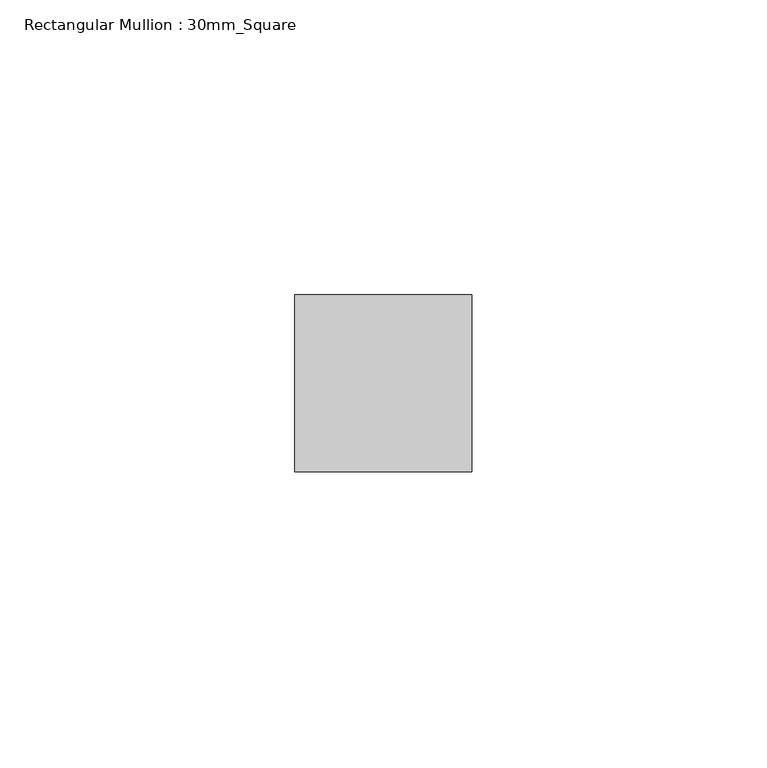
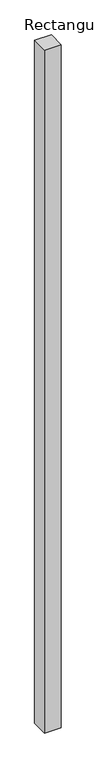
"""IFC4 building model written with IfcOpenShell, lengths in millimetres: member geometry, Rectangular Mullion : 30mm_Square."""

from ifc_helpers import new_model, si_unit, frame, origin, place, context, project, spatial, polyline, outline, extrude, source, transform, mapped, element, save


def rectangular_mullion_30mm_square_6aff4747(model_context):
    return source(origin(), model_context, "Body", "SweptSolid", [
        extrude(outline(polyline([(0.0, 15.0), (0.0, -15.0), (-30.0, -15.0), (-30.0, 15.0), (0.0, 15.0)])), frame((0.0, 0.0, -1288.0), z_axis=(0.0, 0.0, 1.0), x_axis=(1.0, 0.0, 0.0)), (0.0, 0.0, 1.0), 1288.0),
    ])


if __name__ == "__main__":
    model = new_model("IFC4")
    model_context = context("Model", 3, world=origin())
    ifc_project = project(units=[si_unit("LENGTHUNIT", "METRE", prefix="MILLI")], contexts=[model_context])
    site = spatial("IfcSite", under=ifc_project)
    building = spatial("IfcBuilding", under=site)
    placement = place(None, origin())
    rectangular_mullion_30mm_square_shape = rectangular_mullion_30mm_square_6aff4747(model_context)
    element("IfcMember", 1, ObjectType="Rectangular Mullion : 30mm_Square", at=placement, inside=building, context=model_context, shape_type="MappedRepresentation", body=[
        mapped(rectangular_mullion_30mm_square_shape, transform((0.0, 0.0, 0.0), x_axis=(1.0, 0.0, 0.0), y_axis=(0.0, 1.0, 0.0), z_axis=(0.0, 0.0, 1.0))),
    ])
    save(model, "model.ifc")
